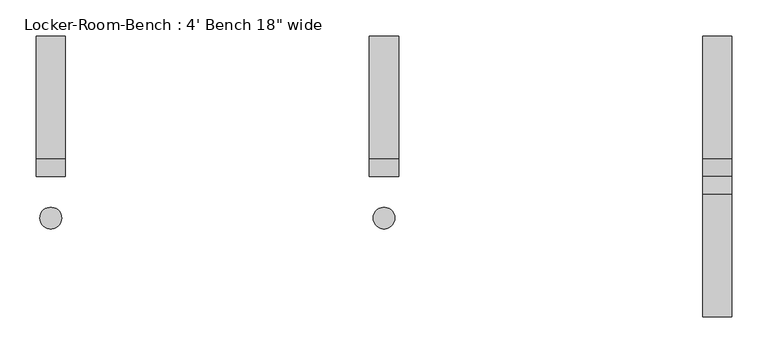
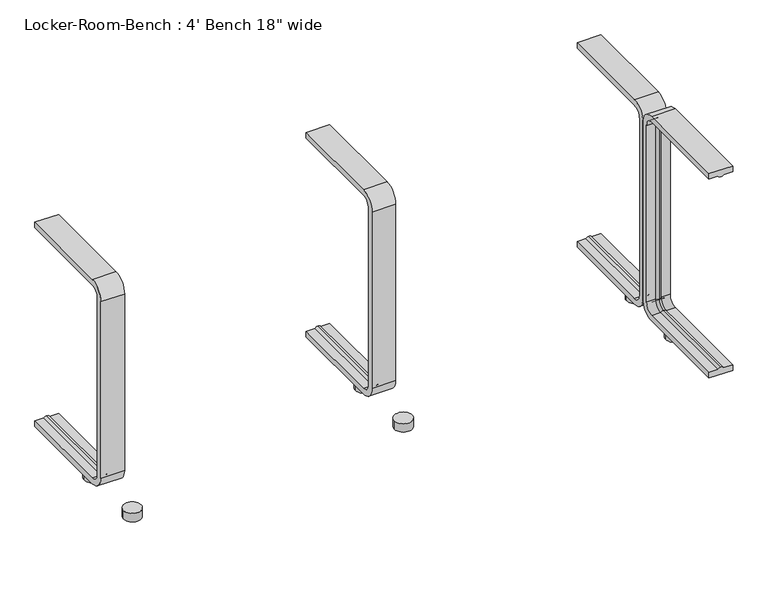
"""IFC4 building model written with IfcOpenShell, lengths in millimetres: proxy geometry."""

from ifc_helpers import new_model, si_unit, point, frame, frame_2d, origin, origin_with_axes, place, context, project, spatial, polyline, circle_curve, ellipse_curve, trimmed, segment, composite_curve, outline, extrude, source, transform, mapped, element, save
from ifc_brep_helpers import plane_surface, cylinder_surface, revolved_surface, advanced_brep


def proxy_b6e1d608(model_context):
    return source(origin(), model_context, "Body", "SolidModel", [
        extrude(outline(composite_curve([segment(trimmed(circle_curve(frame_2d((459.6, -57.5)), 15.0), [point((444.6, -57.5))], [point((474.6, -57.5))], False, "CARTESIAN"), True, "CONTINUOUS"), segment(trimmed(circle_curve(frame_2d((459.6, -57.5)), 15.0), [point((474.6, -57.5))], [point((444.6, -57.5))], False, "CARTESIAN"), True, "CONTINUOUS")], self_intersect=False)), origin_with_axes(), (0.0, 0.0, 1.0), 15.0),
        extrude(outline(composite_curve([segment(trimmed(circle_curve(frame_2d((459.6, 57.5)), 15.0), [point((444.6, 57.5))], [point((474.6, 57.5))], False, "CARTESIAN"), True, "CONTINUOUS"), segment(trimmed(circle_curve(frame_2d((459.6, 57.5)), 15.0), [point((474.6, 57.5))], [point((444.6, 57.5))], False, "CARTESIAN"), True, "CONTINUOUS")], self_intersect=False)), origin_with_axes(), (0.0, 0.0, 1.0), 15.0),
        extrude(outline(composite_curve([segment(trimmed(circle_curve(frame_2d((0.0, -57.5)), 15.0), [point((-15.0, -57.5))], [point((15.0, -57.5))], False, "CARTESIAN"), True, "CONTINUOUS"), segment(trimmed(circle_curve(frame_2d((0.0, -57.5)), 15.0), [point((15.0, -57.5))], [point((-15.0, -57.5))], False, "CARTESIAN"), True, "CONTINUOUS")], self_intersect=False)), origin_with_axes(), (0.0, 0.0, 1.0), 15.0),
        extrude(outline(composite_curve([segment(trimmed(circle_curve(frame_2d((0.0, 57.5)), 15.0), [point((-15.0, 57.5))], [point((15.0, 57.5))], False, "CARTESIAN"), True, "CONTINUOUS"), segment(trimmed(circle_curve(frame_2d((0.0, 57.5)), 15.0), [point((15.0, 57.5))], [point((-15.0, 57.5))], False, "CARTESIAN"), True, "CONTINUOUS")], self_intersect=False)), origin_with_axes(), (0.0, 0.0, 1.0), 15.0),
        extrude(outline(composite_curve([segment(trimmed(circle_curve(frame_2d((-459.6, -57.5)), 15.0), [point((-474.6, -57.5))], [point((-444.6, -57.5))], False, "CARTESIAN"), True, "CONTINUOUS"), segment(trimmed(circle_curve(frame_2d((-459.6, -57.5)), 15.0), [point((-444.6, -57.5))], [point((-474.6, -57.5))], False, "CARTESIAN"), True, "CONTINUOUS")], self_intersect=False)), origin_with_axes(), (0.0, 0.0, 1.0), 15.0),
        extrude(outline(composite_curve([segment(trimmed(circle_curve(frame_2d((-459.6, 57.5)), 15.0), [point((-474.6, 57.5))], [point((-444.6, 57.5))], False, "CARTESIAN"), True, "CONTINUOUS"), segment(trimmed(circle_curve(frame_2d((-459.6, 57.5)), 15.0), [point((-444.6, 57.5))], [point((-474.6, 57.5))], False, "CARTESIAN"), True, "CONTINUOUS")], self_intersect=False)), origin_with_axes(), (0.0, 0.0, 1.0), 15.0),
        advanced_brep(
        [(479.6, 193.6, 381.4), (479.6, 193.6, 371.4), (464.6, 193.6, 371.4), (459.6, 193.6, 369.0684617), (454.6, 193.6, 371.4), (439.6, 193.6, 371.4), (439.6, 193.6, 381.4), (479.6, 25.0, 381.4), (479.6, 0.0, 356.4), (479.6, 0.0, 40.0), (479.6, 25.0, 15.0), (479.6, 193.6, 15.0), (479.6, 193.6, 25.0), (479.6, 25.0, 25.0), (479.6, 10.0, 40.0), (479.6, 10.0, 356.4), (479.6, 25.0, 371.4), (464.6, 25.0, 371.4), (459.6, 25.0, 369.0684617), (454.6, 25.0, 371.4), (439.6, 25.0, 371.4), (439.6, 10.0, 356.4), (439.6, 10.0, 40.0), (439.6, 25.0, 25.0), (439.6, 193.6, 25.0), (439.6, 193.6, 15.0), (439.6, 25.0, 15.0), (439.6, 0.0, 40.0), (439.6, 0.0, 356.4), (439.6, 25.0, 381.4), (464.6, 10.0, 356.4), (459.6, 12.3315383, 356.4), (454.6, 10.0, 356.4), (464.6, 10.0, 40.0), (459.6, 12.3315383, 40.0), (454.6, 10.0, 40.0), (464.6, 25.0, 25.0), (459.6, 25.0, 27.3315383), (454.6, 25.0, 25.0), (454.6, 193.6, 25.0), (459.6, 193.6, 27.3315383), (464.6, 193.6, 25.0)],
        [
            (0, 1),
            (1, 2),
            (2, 3, circle_curve(frame((459.8996409, 193.6, 374.9529162), z_axis=(0.0, 1.0, 0.0), x_axis=(0.0, 0.0, -1.0)), 5.8920785)),
            (3, 4, circle_curve(frame((459.3003591, 193.6, 374.9529162), z_axis=(0.0, 1.0, 0.0), x_axis=(0.0, 0.0, -1.0)), 5.8920785)),
            (4, 5),
            (5, 6),
            (6, 0),
            (0, 7),
            (7, 8, circle_curve(frame((479.6, 25.0, 356.4), z_axis=(1.0, 0.0, 0.0), x_axis=(0.0, 0.0, 1.0)), 25.0)),
            (8, 9),
            (9, 10, circle_curve(frame((479.6, 25.0, 40.0), z_axis=(1.0, 0.0, 0.0), x_axis=(0.0, -1.0, 0.0)), 25.0)),
            (10, 11),
            (11, 12),
            (12, 13),
            (13, 14, circle_curve(frame((479.6, 25.0, 40.0), z_axis=(-1.0, 0.0, 0.0), x_axis=(0.0, -1.0, 0.0)), 15.0)),
            (14, 15),
            (15, 16, circle_curve(frame((479.6, 25.0, 356.4), z_axis=(-1.0, 0.0, 0.0), x_axis=(0.0, 0.0, 1.0)), 15.0)),
            (16, 1),
            (16, 17),
            (17, 2),
            (17, 18, circle_curve(frame((459.8996409, 25.0, 374.9529162), z_axis=(0.0, 1.0, 0.0), x_axis=(0.0, 0.0, -1.0)), 5.8920785)),
            (18, 3),
            (18, 19, circle_curve(frame((459.3003591, 25.0, 374.9529162), z_axis=(0.0, 1.0, 0.0), x_axis=(0.0, 0.0, -1.0)), 5.8920785)),
            (19, 4),
            (19, 20),
            (20, 5),
            (20, 21, circle_curve(frame((439.6, 25.0, 356.4), z_axis=(1.0, 0.0, 0.0), x_axis=(0.0, 0.0, 1.0)), 15.0)),
            (21, 22),
            (22, 23, circle_curve(frame((439.6, 25.0, 40.0), z_axis=(1.0, 0.0, 0.0), x_axis=(0.0, -1.0, 0.0)), 15.0)),
            (23, 24),
            (24, 25),
            (25, 26),
            (26, 27, circle_curve(frame((439.6, 25.0, 40.0), z_axis=(-1.0, 0.0, 0.0), x_axis=(0.0, -1.0, 0.0)), 25.0)),
            (27, 28),
            (28, 29, circle_curve(frame((439.6, 25.0, 356.4), z_axis=(-1.0, 0.0, 0.0), x_axis=(0.0, 0.0, 1.0)), 25.0)),
            (29, 6),
            (29, 7),
            (30, 17, circle_curve(frame((464.6, 25.0, 356.4), z_axis=(-1.0, 0.0, 0.0), x_axis=(0.0, 0.0, 1.0)), 15.0)),
            (15, 30),
            (31, 18, circle_curve(frame((459.6, 25.0, 356.4), z_axis=(-1.0, 0.0, 0.0), x_axis=(0.0, 0.0, 1.0)), 12.6684617)),
            (30, 31, circle_curve(frame((459.8996409, 6.4470838, 356.4), z_axis=(0.0, 0.0, 1.0), x_axis=(0.0, 1.0, 0.0)), 5.8920785)),
            (32, 19, circle_curve(frame((454.6, 25.0, 356.4), z_axis=(-1.0, 0.0, 0.0), x_axis=(0.0, 0.0, 1.0)), 15.0)),
            (31, 32, circle_curve(frame((459.3003591, 6.4470838, 356.4), z_axis=(0.0, 0.0, 1.0), x_axis=(0.0, 1.0, 0.0)), 5.8920785)),
            (32, 21),
            (28, 8),
            (14, 33),
            (33, 30),
            (33, 34, circle_curve(frame((459.8996409, 6.4470838, 40.0), z_axis=(0.0, 0.0, 1.0), x_axis=(0.0, 1.0, 0.0)), 5.8920785)),
            (34, 31),
            (34, 35, circle_curve(frame((459.3003591, 6.4470838, 40.0), z_axis=(0.0, 0.0, 1.0), x_axis=(0.0, 1.0, 0.0)), 5.8920785)),
            (35, 32),
            (35, 22),
            (27, 9),
            (36, 33, circle_curve(frame((464.6, 25.0, 40.0), z_axis=(-1.0, 0.0, 0.0), x_axis=(0.0, -1.0, 0.0)), 15.0)),
            (13, 36),
            (37, 34, circle_curve(frame((459.6, 25.0, 40.0), z_axis=(-1.0, 0.0, 0.0), x_axis=(0.0, -1.0, 0.0)), 12.6684617)),
            (36, 37, circle_curve(frame((459.8996409, 25.0, 21.4470838), z_axis=(0.0, -1.0, 0.0), x_axis=(0.0, 0.0, 1.0)), 5.8920785)),
            (38, 35, circle_curve(frame((454.6, 25.0, 40.0), z_axis=(-1.0, 0.0, 0.0), x_axis=(0.0, -1.0, 0.0)), 15.0)),
            (37, 38, circle_curve(frame((459.3003591, 25.0, 21.4470838), z_axis=(0.0, -1.0, 0.0), x_axis=(0.0, 0.0, 1.0)), 5.8920785)),
            (38, 23),
            (26, 10),
            (11, 25),
            (24, 39),
            (39, 40, circle_curve(frame((459.3003591, 193.6, 21.4470838), z_axis=(0.0, 1.0, 0.0), x_axis=(0.0, 0.0, 1.0)), 5.8920785)),
            (40, 41, circle_curve(frame((459.8996409, 193.6, 21.4470838), z_axis=(0.0, 1.0, 0.0), x_axis=(0.0, 0.0, 1.0)), 5.8920785)),
            (41, 12),
            (41, 36),
            (40, 37),
            (39, 38),
        ],
        [
            plane_surface(frame((459.6, 193.6, 381.4), z_axis=(0.0, 1.0, 0.0), x_axis=(1.0, 0.0, 0.0))),
            plane_surface(frame((479.6, 193.6, 381.4), z_axis=(1.0, 0.0, 0.0), x_axis=(0.0, -1.0, 0.0))),
            plane_surface(frame((479.6, 193.6, 371.4), z_axis=(0.0, 0.0, -1.0), x_axis=(0.0, -1.0, 0.0))),
            cylinder_surface(frame((459.8996409, 193.6, 374.9529162), z_axis=(0.0, 1.0, 0.0), x_axis=(0.0, 0.0, -1.0)), 5.8920785),
            cylinder_surface(frame((459.3003591, 193.6, 374.9529162), z_axis=(0.0, 1.0, 0.0), x_axis=(0.0, 0.0, -1.0)), 5.8920785),
            plane_surface(frame((454.6, 193.6, 371.4), z_axis=(0.0, 0.0, -1.0), x_axis=(0.0, -1.0, 0.0))),
            plane_surface(frame((439.6, 193.6, 371.4), z_axis=(-1.0, 0.0, 0.0), x_axis=(0.0, -1.0, 0.0))),
            plane_surface(frame((439.6, 193.6, 381.4), z_axis=(0.0, 0.0, 1.0), x_axis=(0.0, -1.0, 0.0))),
            revolved_surface(polyline([(479.6, 25.0, 371.4), (464.6, 25.0, 371.4)]), (459.6, 25.0, 356.4), (1.0, 0.0, 0.0)),
            revolved_surface(trimmed(ellipse_curve(frame((459.8996409, 25.0, 374.9529162), z_axis=(0.0, 1.0, 0.0), x_axis=(0.0, 0.0, -1.0)), 5.8920785, 5.8920785), [point((464.6, 25.0, 371.4))], [point((459.6, 25.0, 369.0684617))], True, "CARTESIAN"), (459.6, 25.0, 356.4), (1.0, 0.0, 0.0)),
            revolved_surface(trimmed(ellipse_curve(frame((459.3003591, 25.0, 374.9529162), z_axis=(0.0, 1.0, 0.0), x_axis=(0.0, 0.0, -1.0)), 5.8920785, 5.8920785), [point((459.6, 25.0, 369.0684617))], [point((454.6, 25.0, 371.4))], True, "CARTESIAN"), (459.6, 25.0, 356.4), (1.0, 0.0, 0.0)),
            revolved_surface(polyline([(454.6, 25.0, 371.4), (439.6, 25.0, 371.4)]), (459.6, 25.0, 356.4), (1.0, 0.0, 0.0)),
            cylinder_surface(frame((459.6, 25.0, 356.4), z_axis=(1.0, 0.0, 0.0), x_axis=(0.0, 0.0, 1.0)), 25.0),
            plane_surface(frame((479.6, 10.0, 356.4), z_axis=(0.0, 1.0, 0.0), x_axis=(0.0, 0.0, -1.0))),
            cylinder_surface(frame((459.8996409, 6.4470838, 356.4), z_axis=(0.0, 0.0, 1.0), x_axis=(0.0, 1.0, 0.0)), 5.8920785),
            cylinder_surface(frame((459.3003591, 6.4470838, 356.4), z_axis=(0.0, 0.0, 1.0), x_axis=(0.0, 1.0, 0.0)), 5.8920785),
            plane_surface(frame((454.6, 10.0, 356.4), z_axis=(0.0, 1.0, 0.0), x_axis=(0.0, 0.0, -1.0))),
            plane_surface(frame((439.6, 0.0, 356.4), z_axis=(0.0, -1.0, 0.0), x_axis=(0.0, 0.0, -1.0))),
            revolved_surface(polyline([(479.6, 10.0, 40.0), (464.6, 10.0, 40.0)]), (459.6, 25.0, 40.0), (1.0, 0.0, 0.0)),
            revolved_surface(trimmed(ellipse_curve(frame((459.8996409, 6.4470838, 40.0), z_axis=(0.0, 0.0, 1.0), x_axis=(0.0, 1.0, 0.0)), 5.8920785, 5.8920785), [point((464.6, 10.0, 40.0))], [point((459.6, 12.3315383, 40.0))], True, "CARTESIAN"), (459.6, 25.0, 40.0), (1.0, 0.0, 0.0)),
            revolved_surface(trimmed(ellipse_curve(frame((459.3003591, 6.4470838, 40.0), z_axis=(0.0, 0.0, 1.0), x_axis=(0.0, 1.0, 0.0)), 5.8920785, 5.8920785), [point((459.6, 12.3315383, 40.0))], [point((454.6, 10.0, 40.0))], True, "CARTESIAN"), (459.6, 25.0, 40.0), (1.0, 0.0, 0.0)),
            revolved_surface(polyline([(454.6, 10.0, 40.0), (439.6, 10.0, 40.0)]), (459.6, 25.0, 40.0), (1.0, 0.0, 0.0)),
            cylinder_surface(frame((459.6, 25.0, 40.0), z_axis=(1.0, 0.0, 0.0), x_axis=(0.0, -1.0, 0.0)), 25.0),
            plane_surface(frame((459.6, 193.6, 15.0), z_axis=(0.0, 1.0, 0.0), x_axis=(1.0, 0.0, 0.0))),
            plane_surface(frame((479.6, 25.0, 25.0), z_axis=(0.0, 0.0, 1.0), x_axis=(0.0, 1.0, 0.0))),
            cylinder_surface(frame((459.8996409, 25.0, 21.4470838), z_axis=(0.0, -1.0, 0.0), x_axis=(0.0, 0.0, 1.0)), 5.8920785),
            cylinder_surface(frame((459.3003591, 25.0, 21.4470838), z_axis=(0.0, -1.0, 0.0), x_axis=(0.0, 0.0, 1.0)), 5.8920785),
            plane_surface(frame((454.6, 25.0, 25.0), z_axis=(0.0, 0.0, 1.0), x_axis=(0.0, 1.0, 0.0))),
            plane_surface(frame((439.6, 25.0, 15.0), z_axis=(0.0, 0.0, -1.0), x_axis=(0.0, 1.0, 0.0))),
        ],
        [
            (0, [[1, 2, 3, 4, 5, 6, 7]]),
            (1, [[-1, 8, 9, 10, 11, 12, 13, 14, 15, 16, 17, 18]]),
            (2, [[-2, -18, 19, 20]]),
            (3, [[-3, -20, 21, 22]]),
            (4, [[-4, -22, 23, 24]]),
            (5, [[-5, -24, 25, 26]]),
            (6, [[-6, -26, 27, 28, 29, 30, 31, 32, 33, 34, 35, 36]]),
            (7, [[-7, -36, 37, -8]]),
            (8, [[38, -19, -17, 39]]),
            (9, [[40, -21, -38, 41]]),
            (10, [[42, -23, -40, 43]]),
            (11, [[-27, -25, -42, 44]]),
            (12, [[-9, -37, -35, 45]]),
            (13, [[-39, -16, 46, 47]]),
            (14, [[-41, -47, 48, 49]]),
            (15, [[-43, -49, 50, 51]]),
            (16, [[-44, -51, 52, -28]]),
            (17, [[-45, -34, 53, -10]]),
            (18, [[54, -46, -15, 55]]),
            (19, [[56, -48, -54, 57]]),
            (20, [[58, -50, -56, 59]]),
            (21, [[-29, -52, -58, 60]]),
            (22, [[-11, -53, -33, 61]]),
            (23, [[62, -31, 63, 64, 65, 66, -13]]),
            (24, [[-55, -14, -66, 67]]),
            (25, [[-57, -67, -65, 68]]),
            (26, [[-59, -68, -64, 69]]),
            (27, [[-60, -69, -63, -30]]),
            (28, [[-61, -32, -62, -12]]),
        ],
    ),
        advanced_brep(
        [(20.0, 193.6, 381.4), (20.0, 193.6, 371.4), (5.0, 193.6, 371.4), (0.0, 193.6, 369.0684617), (-5.0, 193.6, 371.4), (-20.0, 193.6, 371.4), (-20.0, 193.6, 381.4), (20.0, 25.0, 381.4), (20.0, 0.0, 356.4), (20.0, 0.0, 40.0), (20.0, 25.0, 15.0), (20.0, 193.6, 15.0), (20.0, 193.6, 25.0), (20.0, 25.0, 25.0), (20.0, 10.0, 40.0), (20.0, 10.0, 356.4), (20.0, 25.0, 371.4), (5.0, 25.0, 371.4), (0.0, 25.0, 369.0684617), (-5.0, 25.0, 371.4), (-20.0, 25.0, 371.4), (-20.0, 10.0, 356.4), (-20.0, 10.0, 40.0), (-20.0, 25.0, 25.0), (-20.0, 193.6, 25.0), (-20.0, 193.6, 15.0), (-20.0, 25.0, 15.0), (-20.0, 0.0, 40.0), (-20.0, 0.0, 356.4), (-20.0, 25.0, 381.4), (5.0, 10.0, 356.4), (0.0, 12.3315383, 356.4), (-5.0, 10.0, 356.4), (5.0, 10.0, 40.0), (0.0, 12.3315383, 40.0), (-5.0, 10.0, 40.0), (5.0, 25.0, 25.0), (0.0, 25.0, 27.3315383), (-5.0, 25.0, 25.0), (-5.0, 193.6, 25.0), (0.0, 193.6, 27.3315383), (5.0, 193.6, 25.0)],
        [
            (0, 1),
            (1, 2),
            (2, 3, circle_curve(frame((0.2996409, 193.6, 374.9529162), z_axis=(0.0, 1.0, 0.0), x_axis=(0.0, 0.0, -1.0)), 5.8920785)),
            (3, 4, circle_curve(frame((-0.2996409, 193.6, 374.9529162), z_axis=(0.0, 1.0, 0.0), x_axis=(0.0, 0.0, -1.0)), 5.8920785)),
            (4, 5),
            (5, 6),
            (6, 0),
            (0, 7),
            (7, 8, circle_curve(frame((20.0, 25.0, 356.4), z_axis=(1.0, 0.0, 0.0), x_axis=(0.0, 0.0, 1.0)), 25.0)),
            (8, 9),
            (9, 10, circle_curve(frame((20.0, 25.0, 40.0), z_axis=(1.0, 0.0, 0.0), x_axis=(0.0, -1.0, 0.0)), 25.0)),
            (10, 11),
            (11, 12),
            (12, 13),
            (13, 14, circle_curve(frame((20.0, 25.0, 40.0), z_axis=(-1.0, 0.0, 0.0), x_axis=(0.0, -1.0, 0.0)), 15.0)),
            (14, 15),
            (15, 16, circle_curve(frame((20.0, 25.0, 356.4), z_axis=(-1.0, 0.0, 0.0), x_axis=(0.0, 0.0, 1.0)), 15.0)),
            (16, 1),
            (16, 17),
            (17, 2),
            (17, 18, circle_curve(frame((0.2996409, 25.0, 374.9529162), z_axis=(0.0, 1.0, 0.0), x_axis=(0.0, 0.0, -1.0)), 5.8920785)),
            (18, 3),
            (18, 19, circle_curve(frame((-0.2996409, 25.0, 374.9529162), z_axis=(0.0, 1.0, 0.0), x_axis=(0.0, 0.0, -1.0)), 5.8920785)),
            (19, 4),
            (19, 20),
            (20, 5),
            (20, 21, circle_curve(frame((-20.0, 25.0, 356.4), z_axis=(1.0, 0.0, 0.0), x_axis=(0.0, 0.0, 1.0)), 15.0)),
            (21, 22),
            (22, 23, circle_curve(frame((-20.0, 25.0, 40.0), z_axis=(1.0, 0.0, 0.0), x_axis=(0.0, -1.0, 0.0)), 15.0)),
            (23, 24),
            (24, 25),
            (25, 26),
            (26, 27, circle_curve(frame((-20.0, 25.0, 40.0), z_axis=(-1.0, 0.0, 0.0), x_axis=(0.0, -1.0, 0.0)), 25.0)),
            (27, 28),
            (28, 29, circle_curve(frame((-20.0, 25.0, 356.4), z_axis=(-1.0, 0.0, 0.0), x_axis=(0.0, 0.0, 1.0)), 25.0)),
            (29, 6),
            (29, 7),
            (30, 17, circle_curve(frame((5.0, 25.0, 356.4), z_axis=(-1.0, 0.0, 0.0), x_axis=(0.0, 0.0, 1.0)), 15.0)),
            (15, 30),
            (31, 18, circle_curve(frame((0.0, 25.0, 356.4), z_axis=(-1.0, 0.0, 0.0), x_axis=(0.0, 0.0, 1.0)), 12.6684617)),
            (30, 31, circle_curve(frame((0.2996409, 6.4470838, 356.4), z_axis=(0.0, 0.0, 1.0), x_axis=(0.0, 1.0, 0.0)), 5.8920785)),
            (32, 19, circle_curve(frame((-5.0, 25.0, 356.4), z_axis=(-1.0, 0.0, 0.0), x_axis=(0.0, 0.0, 1.0)), 15.0)),
            (31, 32, circle_curve(frame((-0.2996409, 6.4470838, 356.4), z_axis=(0.0, 0.0, 1.0), x_axis=(0.0, 1.0, 0.0)), 5.8920785)),
            (32, 21),
            (28, 8),
            (14, 33),
            (33, 30),
            (33, 34, circle_curve(frame((0.2996409, 6.4470838, 40.0), z_axis=(0.0, 0.0, 1.0), x_axis=(0.0, 1.0, 0.0)), 5.8920785)),
            (34, 31),
            (34, 35, circle_curve(frame((-0.2996409, 6.4470838, 40.0), z_axis=(0.0, 0.0, 1.0), x_axis=(0.0, 1.0, 0.0)), 5.8920785)),
            (35, 32),
            (35, 22),
            (27, 9),
            (36, 33, circle_curve(frame((5.0, 25.0, 40.0), z_axis=(-1.0, 0.0, 0.0), x_axis=(0.0, -1.0, 0.0)), 15.0)),
            (13, 36),
            (37, 34, circle_curve(frame((0.0, 25.0, 40.0), z_axis=(-1.0, 0.0, 0.0), x_axis=(0.0, -1.0, 0.0)), 12.6684617)),
            (36, 37, circle_curve(frame((0.2996409, 25.0, 21.4470838), z_axis=(0.0, -1.0, 0.0), x_axis=(0.0, 0.0, 1.0)), 5.8920785)),
            (38, 35, circle_curve(frame((-5.0, 25.0, 40.0), z_axis=(-1.0, 0.0, 0.0), x_axis=(0.0, -1.0, 0.0)), 15.0)),
            (37, 38, circle_curve(frame((-0.2996409, 25.0, 21.4470838), z_axis=(0.0, -1.0, 0.0), x_axis=(0.0, 0.0, 1.0)), 5.8920785)),
            (38, 23),
            (26, 10),
            (11, 25),
            (24, 39),
            (39, 40, circle_curve(frame((-0.2996409, 193.6, 21.4470838), z_axis=(0.0, 1.0, 0.0), x_axis=(0.0, 0.0, 1.0)), 5.8920785)),
            (40, 41, circle_curve(frame((0.2996409, 193.6, 21.4470838), z_axis=(0.0, 1.0, 0.0), x_axis=(0.0, 0.0, 1.0)), 5.8920785)),
            (41, 12),
            (41, 36),
            (40, 37),
            (39, 38),
        ],
        [
            plane_surface(frame((0.0, 193.6, 381.4), z_axis=(0.0, 1.0, 0.0), x_axis=(1.0, 0.0, 0.0))),
            plane_surface(frame((20.0, 193.6, 381.4), z_axis=(1.0, 0.0, 0.0), x_axis=(0.0, -1.0, 0.0))),
            plane_surface(frame((20.0, 193.6, 371.4), z_axis=(0.0, 0.0, -1.0), x_axis=(0.0, -1.0, 0.0))),
            cylinder_surface(frame((0.2996409, 193.6, 374.9529162), z_axis=(0.0, 1.0, 0.0), x_axis=(0.0, 0.0, -1.0)), 5.8920785),
            cylinder_surface(frame((-0.2996409, 193.6, 374.9529162), z_axis=(0.0, 1.0, 0.0), x_axis=(0.0, 0.0, -1.0)), 5.8920785),
            plane_surface(frame((-5.0, 193.6, 371.4), z_axis=(0.0, 0.0, -1.0), x_axis=(0.0, -1.0, 0.0))),
            plane_surface(frame((-20.0, 193.6, 371.4), z_axis=(-1.0, 0.0, 0.0), x_axis=(0.0, -1.0, 0.0))),
            plane_surface(frame((-20.0, 193.6, 381.4), z_axis=(0.0, 0.0, 1.0), x_axis=(0.0, -1.0, 0.0))),
            revolved_surface(polyline([(20.0, 25.0, 371.4), (5.0, 25.0, 371.4)]), (0.0, 25.0, 356.4), (1.0, 0.0, 0.0)),
            revolved_surface(trimmed(ellipse_curve(frame((0.2996409, 25.0, 374.9529162), z_axis=(0.0, 1.0, 0.0), x_axis=(0.0, 0.0, -1.0)), 5.8920785, 5.8920785), [point((5.0, 25.0, 371.4))], [point((0.0, 25.0, 369.0684617))], True, "CARTESIAN"), (0.0, 25.0, 356.4), (1.0, 0.0, 0.0)),
            revolved_surface(trimmed(ellipse_curve(frame((-0.2996409, 25.0, 374.9529162), z_axis=(0.0, 1.0, 0.0), x_axis=(0.0, 0.0, -1.0)), 5.8920785, 5.8920785), [point((0.0, 25.0, 369.0684617))], [point((-5.0, 25.0, 371.4))], True, "CARTESIAN"), (0.0, 25.0, 356.4), (1.0, 0.0, 0.0)),
            revolved_surface(polyline([(-5.0, 25.0, 371.4), (-20.0, 25.0, 371.4)]), (0.0, 25.0, 356.4), (1.0, 0.0, 0.0)),
            cylinder_surface(frame((0.0, 25.0, 356.4), z_axis=(1.0, 0.0, 0.0), x_axis=(0.0, 0.0, 1.0)), 25.0),
            plane_surface(frame((20.0, 10.0, 356.4), z_axis=(0.0, 1.0, 0.0), x_axis=(0.0, 0.0, -1.0))),
            cylinder_surface(frame((0.2996409, 6.4470838, 356.4), z_axis=(0.0, 0.0, 1.0), x_axis=(0.0, 1.0, 0.0)), 5.8920785),
            cylinder_surface(frame((-0.2996409, 6.4470838, 356.4), z_axis=(0.0, 0.0, 1.0), x_axis=(0.0, 1.0, 0.0)), 5.8920785),
            plane_surface(frame((-5.0, 10.0, 356.4), z_axis=(0.0, 1.0, 0.0), x_axis=(0.0, 0.0, -1.0))),
            plane_surface(frame((-20.0, 0.0, 356.4), z_axis=(0.0, -1.0, 0.0), x_axis=(0.0, 0.0, -1.0))),
            revolved_surface(polyline([(20.0, 10.0, 40.0), (5.0, 10.0, 40.0)]), (0.0, 25.0, 40.0), (1.0, 0.0, 0.0)),
            revolved_surface(trimmed(ellipse_curve(frame((0.2996409, 6.4470838, 40.0), z_axis=(0.0, 0.0, 1.0), x_axis=(0.0, 1.0, 0.0)), 5.8920785, 5.8920785), [point((5.0, 10.0, 40.0))], [point((0.0, 12.3315383, 40.0))], True, "CARTESIAN"), (0.0, 25.0, 40.0), (1.0, 0.0, 0.0)),
            revolved_surface(trimmed(ellipse_curve(frame((-0.2996409, 6.4470838, 40.0), z_axis=(0.0, 0.0, 1.0), x_axis=(0.0, 1.0, 0.0)), 5.8920785, 5.8920785), [point((0.0, 12.3315383, 40.0))], [point((-5.0, 10.0, 40.0))], True, "CARTESIAN"), (0.0, 25.0, 40.0), (1.0, 0.0, 0.0)),
            revolved_surface(polyline([(-5.0, 10.0, 40.0), (-20.0, 10.0, 40.0)]), (0.0, 25.0, 40.0), (1.0, 0.0, 0.0)),
            cylinder_surface(frame((0.0, 25.0, 40.0), z_axis=(1.0, 0.0, 0.0), x_axis=(0.0, -1.0, 0.0)), 25.0),
            plane_surface(frame((0.0, 193.6, 15.0), z_axis=(0.0, 1.0, 0.0), x_axis=(1.0, 0.0, 0.0))),
            plane_surface(frame((20.0, 25.0, 25.0), z_axis=(0.0, 0.0, 1.0), x_axis=(0.0, 1.0, 0.0))),
            cylinder_surface(frame((0.2996409, 25.0, 21.4470838), z_axis=(0.0, -1.0, 0.0), x_axis=(0.0, 0.0, 1.0)), 5.8920785),
            cylinder_surface(frame((-0.2996409, 25.0, 21.4470838), z_axis=(0.0, -1.0, 0.0), x_axis=(0.0, 0.0, 1.0)), 5.8920785),
            plane_surface(frame((-5.0, 25.0, 25.0), z_axis=(0.0, 0.0, 1.0), x_axis=(0.0, 1.0, 0.0))),
            plane_surface(frame((-20.0, 25.0, 15.0), z_axis=(0.0, 0.0, -1.0), x_axis=(0.0, 1.0, 0.0))),
        ],
        [
            (0, [[1, 2, 3, 4, 5, 6, 7]]),
            (1, [[-1, 8, 9, 10, 11, 12, 13, 14, 15, 16, 17, 18]]),
            (2, [[-2, -18, 19, 20]]),
            (3, [[-3, -20, 21, 22]]),
            (4, [[-4, -22, 23, 24]]),
            (5, [[-5, -24, 25, 26]]),
            (6, [[-6, -26, 27, 28, 29, 30, 31, 32, 33, 34, 35, 36]]),
            (7, [[-7, -36, 37, -8]]),
            (8, [[38, -19, -17, 39]]),
            (9, [[40, -21, -38, 41]]),
            (10, [[42, -23, -40, 43]]),
            (11, [[-27, -25, -42, 44]]),
            (12, [[-9, -37, -35, 45]]),
            (13, [[-39, -16, 46, 47]]),
            (14, [[-41, -47, 48, 49]]),
            (15, [[-43, -49, 50, 51]]),
            (16, [[-44, -51, 52, -28]]),
            (17, [[-45, -34, 53, -10]]),
            (18, [[54, -46, -15, 55]]),
            (19, [[56, -48, -54, 57]]),
            (20, [[58, -50, -56, 59]]),
            (21, [[-29, -52, -58, 60]]),
            (22, [[-11, -53, -33, 61]]),
            (23, [[62, -31, 63, 64, 65, 66, -13]]),
            (24, [[-55, -14, -66, 67]]),
            (25, [[-57, -67, -65, 68]]),
            (26, [[-59, -68, -64, 69]]),
            (27, [[-60, -69, -63, -30]]),
            (28, [[-61, -32, -62, -12]]),
        ],
    ),
        advanced_brep(
        [(-439.6, 193.6, 381.4), (-439.6, 193.6, 371.4), (-454.6, 193.6, 371.4), (-459.6, 193.6, 369.0684617), (-464.6, 193.6, 371.4), (-479.6, 193.6, 371.4), (-479.6, 193.6, 381.4), (-439.6, 25.0, 381.4), (-439.6, 0.0, 356.4), (-439.6, 0.0, 40.0), (-439.6, 25.0, 15.0), (-439.6, 193.6, 15.0), (-439.6, 193.6, 25.0), (-439.6, 25.0, 25.0), (-439.6, 10.0, 40.0), (-439.6, 10.0, 356.4), (-439.6, 25.0, 371.4), (-454.6, 25.0, 371.4), (-459.6, 25.0, 369.0684617), (-464.6, 25.0, 371.4), (-479.6, 25.0, 371.4), (-479.6, 10.0, 356.4), (-479.6, 10.0, 40.0), (-479.6, 25.0, 25.0), (-479.6, 193.6, 25.0), (-479.6, 193.6, 15.0), (-479.6, 25.0, 15.0), (-479.6, 0.0, 40.0), (-479.6, 0.0, 356.4), (-479.6, 25.0, 381.4), (-454.6, 10.0, 356.4), (-459.6, 12.3315383, 356.4), (-464.6, 10.0, 356.4), (-454.6, 10.0, 40.0), (-459.6, 12.3315383, 40.0), (-464.6, 10.0, 40.0), (-454.6, 25.0, 25.0), (-459.6, 25.0, 27.3315383), (-464.6, 25.0, 25.0), (-464.6, 193.6, 25.0), (-459.6, 193.6, 27.3315383), (-454.6, 193.6, 25.0)],
        [
            (0, 1),
            (1, 2),
            (2, 3, circle_curve(frame((-459.3003591, 193.6, 374.9529162), z_axis=(0.0, 1.0, 0.0), x_axis=(0.0, 0.0, -1.0)), 5.8920785)),
            (3, 4, circle_curve(frame((-459.8996409, 193.6, 374.9529162), z_axis=(0.0, 1.0, 0.0), x_axis=(0.0, 0.0, -1.0)), 5.8920785)),
            (4, 5),
            (5, 6),
            (6, 0),
            (0, 7),
            (7, 8, circle_curve(frame((-439.6, 25.0, 356.4), z_axis=(1.0, 0.0, 0.0), x_axis=(0.0, 0.0, 1.0)), 25.0)),
            (8, 9),
            (9, 10, circle_curve(frame((-439.6, 25.0, 40.0), z_axis=(1.0, 0.0, 0.0), x_axis=(0.0, -1.0, 0.0)), 25.0)),
            (10, 11),
            (11, 12),
            (12, 13),
            (13, 14, circle_curve(frame((-439.6, 25.0, 40.0), z_axis=(-1.0, 0.0, 0.0), x_axis=(0.0, -1.0, 0.0)), 15.0)),
            (14, 15),
            (15, 16, circle_curve(frame((-439.6, 25.0, 356.4), z_axis=(-1.0, 0.0, 0.0), x_axis=(0.0, 0.0, 1.0)), 15.0)),
            (16, 1),
            (16, 17),
            (17, 2),
            (17, 18, circle_curve(frame((-459.3003591, 25.0, 374.9529162), z_axis=(0.0, 1.0, 0.0), x_axis=(0.0, 0.0, -1.0)), 5.8920785)),
            (18, 3),
            (18, 19, circle_curve(frame((-459.8996409, 25.0, 374.9529162), z_axis=(0.0, 1.0, 0.0), x_axis=(0.0, 0.0, -1.0)), 5.8920785)),
            (19, 4),
            (19, 20),
            (20, 5),
            (20, 21, circle_curve(frame((-479.6, 25.0, 356.4), z_axis=(1.0, 0.0, 0.0), x_axis=(0.0, 0.0, 1.0)), 15.0)),
            (21, 22),
            (22, 23, circle_curve(frame((-479.6, 25.0, 40.0), z_axis=(1.0, 0.0, 0.0), x_axis=(0.0, -1.0, 0.0)), 15.0)),
            (23, 24),
            (24, 25),
            (25, 26),
            (26, 27, circle_curve(frame((-479.6, 25.0, 40.0), z_axis=(-1.0, 0.0, 0.0), x_axis=(0.0, -1.0, 0.0)), 25.0)),
            (27, 28),
            (28, 29, circle_curve(frame((-479.6, 25.0, 356.4), z_axis=(-1.0, 0.0, 0.0), x_axis=(0.0, 0.0, 1.0)), 25.0)),
            (29, 6),
            (29, 7),
            (30, 17, circle_curve(frame((-454.6, 25.0, 356.4), z_axis=(-1.0, 0.0, 0.0), x_axis=(0.0, 0.0, 1.0)), 15.0)),
            (15, 30),
            (31, 18, circle_curve(frame((-459.6, 25.0, 356.4), z_axis=(-1.0, 0.0, 0.0), x_axis=(0.0, 0.0, 1.0)), 12.6684617)),
            (30, 31, circle_curve(frame((-459.3003591, 6.4470838, 356.4), z_axis=(0.0, 0.0, 1.0), x_axis=(0.0, 1.0, 0.0)), 5.8920785)),
            (32, 19, circle_curve(frame((-464.6, 25.0, 356.4), z_axis=(-1.0, 0.0, 0.0), x_axis=(0.0, 0.0, 1.0)), 15.0)),
            (31, 32, circle_curve(frame((-459.8996409, 6.4470838, 356.4), z_axis=(0.0, 0.0, 1.0), x_axis=(0.0, 1.0, 0.0)), 5.8920785)),
            (32, 21),
            (28, 8),
            (14, 33),
            (33, 30),
            (33, 34, circle_curve(frame((-459.3003591, 6.4470838, 40.0), z_axis=(0.0, 0.0, 1.0), x_axis=(0.0, 1.0, 0.0)), 5.8920785)),
            (34, 31),
            (34, 35, circle_curve(frame((-459.8996409, 6.4470838, 40.0), z_axis=(0.0, 0.0, 1.0), x_axis=(0.0, 1.0, 0.0)), 5.8920785)),
            (35, 32),
            (35, 22),
            (27, 9),
            (36, 33, circle_curve(frame((-454.6, 25.0, 40.0), z_axis=(-1.0, 0.0, 0.0), x_axis=(0.0, -1.0, 0.0)), 15.0)),
            (13, 36),
            (37, 34, circle_curve(frame((-459.6, 25.0, 40.0), z_axis=(-1.0, 0.0, 0.0), x_axis=(0.0, -1.0, 0.0)), 12.6684617)),
            (36, 37, circle_curve(frame((-459.3003591, 25.0, 21.4470838), z_axis=(0.0, -1.0, 0.0), x_axis=(0.0, 0.0, 1.0)), 5.8920785)),
            (38, 35, circle_curve(frame((-464.6, 25.0, 40.0), z_axis=(-1.0, 0.0, 0.0), x_axis=(0.0, -1.0, 0.0)), 15.0)),
            (37, 38, circle_curve(frame((-459.8996409, 25.0, 21.4470838), z_axis=(0.0, -1.0, 0.0), x_axis=(0.0, 0.0, 1.0)), 5.8920785)),
            (38, 23),
            (26, 10),
            (11, 25),
            (24, 39),
            (39, 40, circle_curve(frame((-459.8996409, 193.6, 21.4470838), z_axis=(0.0, 1.0, 0.0), x_axis=(0.0, 0.0, 1.0)), 5.8920785)),
            (40, 41, circle_curve(frame((-459.3003591, 193.6, 21.4470838), z_axis=(0.0, 1.0, 0.0), x_axis=(0.0, 0.0, 1.0)), 5.8920785)),
            (41, 12),
            (41, 36),
            (40, 37),
            (39, 38),
        ],
        [
            plane_surface(frame((-459.6, 193.6, 381.4), z_axis=(0.0, 1.0, 0.0), x_axis=(1.0, 0.0, 0.0))),
            plane_surface(frame((-439.6, 193.6, 381.4), z_axis=(1.0, 0.0, 0.0), x_axis=(0.0, -1.0, 0.0))),
            plane_surface(frame((-439.6, 193.6, 371.4), z_axis=(0.0, 0.0, -1.0), x_axis=(0.0, -1.0, 0.0))),
            cylinder_surface(frame((-459.3003591, 193.6, 374.9529162), z_axis=(0.0, 1.0, 0.0), x_axis=(0.0, 0.0, -1.0)), 5.8920785),
            cylinder_surface(frame((-459.8996409, 193.6, 374.9529162), z_axis=(0.0, 1.0, 0.0), x_axis=(0.0, 0.0, -1.0)), 5.8920785),
            plane_surface(frame((-464.6, 193.6, 371.4), z_axis=(0.0, 0.0, -1.0), x_axis=(0.0, -1.0, 0.0))),
            plane_surface(frame((-479.6, 193.6, 371.4), z_axis=(-1.0, 0.0, 0.0), x_axis=(0.0, -1.0, 0.0))),
            plane_surface(frame((-479.6, 193.6, 381.4), z_axis=(0.0, 0.0, 1.0), x_axis=(0.0, -1.0, 0.0))),
            revolved_surface(polyline([(-439.6, 25.0, 371.4), (-454.6, 25.0, 371.4)]), (-459.6, 25.0, 356.4), (1.0, 0.0, 0.0)),
            revolved_surface(trimmed(ellipse_curve(frame((-459.3003591, 25.0, 374.9529162), z_axis=(0.0, 1.0, 0.0), x_axis=(0.0, 0.0, -1.0)), 5.8920785, 5.8920785), [point((-454.6, 25.0, 371.4))], [point((-459.6, 25.0, 369.0684617))], True, "CARTESIAN"), (-459.6, 25.0, 356.4), (1.0, 0.0, 0.0)),
            revolved_surface(trimmed(ellipse_curve(frame((-459.8996409, 25.0, 374.9529162), z_axis=(0.0, 1.0, 0.0), x_axis=(0.0, 0.0, -1.0)), 5.8920785, 5.8920785), [point((-459.6, 25.0, 369.0684617))], [point((-464.6, 25.0, 371.4))], True, "CARTESIAN"), (-459.6, 25.0, 356.4), (1.0, 0.0, 0.0)),
            revolved_surface(polyline([(-464.6, 25.0, 371.4), (-479.6, 25.0, 371.4)]), (-459.6, 25.0, 356.4), (1.0, 0.0, 0.0)),
            cylinder_surface(frame((-459.6, 25.0, 356.4), z_axis=(1.0, 0.0, 0.0), x_axis=(0.0, 0.0, 1.0)), 25.0),
            plane_surface(frame((-439.6, 10.0, 356.4), z_axis=(0.0, 1.0, 0.0), x_axis=(0.0, 0.0, -1.0))),
            cylinder_surface(frame((-459.3003591, 6.4470838, 356.4), z_axis=(0.0, 0.0, 1.0), x_axis=(0.0, 1.0, 0.0)), 5.8920785),
            cylinder_surface(frame((-459.8996409, 6.4470838, 356.4), z_axis=(0.0, 0.0, 1.0), x_axis=(0.0, 1.0, 0.0)), 5.8920785),
            plane_surface(frame((-464.6, 10.0, 356.4), z_axis=(0.0, 1.0, 0.0), x_axis=(0.0, 0.0, -1.0))),
            plane_surface(frame((-479.6, 0.0, 356.4), z_axis=(0.0, -1.0, 0.0), x_axis=(0.0, 0.0, -1.0))),
            revolved_surface(polyline([(-439.6, 10.0, 40.0), (-454.6, 10.0, 40.0)]), (-459.6, 25.0, 40.0), (1.0, 0.0, 0.0)),
            revolved_surface(trimmed(ellipse_curve(frame((-459.3003591, 6.4470838, 40.0), z_axis=(0.0, 0.0, 1.0), x_axis=(0.0, 1.0, 0.0)), 5.8920785, 5.8920785), [point((-454.6, 10.0, 40.0))], [point((-459.6, 12.3315383, 40.0))], True, "CARTESIAN"), (-459.6, 25.0, 40.0), (1.0, 0.0, 0.0)),
            revolved_surface(trimmed(ellipse_curve(frame((-459.8996409, 6.4470838, 40.0), z_axis=(0.0, 0.0, 1.0), x_axis=(0.0, 1.0, 0.0)), 5.8920785, 5.8920785), [point((-459.6, 12.3315383, 40.0))], [point((-464.6, 10.0, 40.0))], True, "CARTESIAN"), (-459.6, 25.0, 40.0), (1.0, 0.0, 0.0)),
            revolved_surface(polyline([(-464.6, 10.0, 40.0), (-479.6, 10.0, 40.0)]), (-459.6, 25.0, 40.0), (1.0, 0.0, 0.0)),
            cylinder_surface(frame((-459.6, 25.0, 40.0), z_axis=(1.0, 0.0, 0.0), x_axis=(0.0, -1.0, 0.0)), 25.0),
            plane_surface(frame((-459.6, 193.6, 15.0), z_axis=(0.0, 1.0, 0.0), x_axis=(1.0, 0.0, 0.0))),
            plane_surface(frame((-439.6, 25.0, 25.0), z_axis=(0.0, 0.0, 1.0), x_axis=(0.0, 1.0, 0.0))),
            cylinder_surface(frame((-459.3003591, 25.0, 21.4470838), z_axis=(0.0, -1.0, 0.0), x_axis=(0.0, 0.0, 1.0)), 5.8920785),
            cylinder_surface(frame((-459.8996409, 25.0, 21.4470838), z_axis=(0.0, -1.0, 0.0), x_axis=(0.0, 0.0, 1.0)), 5.8920785),
            plane_surface(frame((-464.6, 25.0, 25.0), z_axis=(0.0, 0.0, 1.0), x_axis=(0.0, 1.0, 0.0))),
            plane_surface(frame((-479.6, 25.0, 15.0), z_axis=(0.0, 0.0, -1.0), x_axis=(0.0, 1.0, 0.0))),
        ],
        [
            (0, [[1, 2, 3, 4, 5, 6, 7]]),
            (1, [[-1, 8, 9, 10, 11, 12, 13, 14, 15, 16, 17, 18]]),
            (2, [[-2, -18, 19, 20]]),
            (3, [[-3, -20, 21, 22]]),
            (4, [[-4, -22, 23, 24]]),
            (5, [[-5, -24, 25, 26]]),
            (6, [[-6, -26, 27, 28, 29, 30, 31, 32, 33, 34, 35, 36]]),
            (7, [[-7, -36, 37, -8]]),
            (8, [[38, -19, -17, 39]]),
            (9, [[40, -21, -38, 41]]),
            (10, [[42, -23, -40, 43]]),
            (11, [[-27, -25, -42, 44]]),
            (12, [[-9, -37, -35, 45]]),
            (13, [[-39, -16, 46, 47]]),
            (14, [[-41, -47, 48, 49]]),
            (15, [[-43, -49, 50, 51]]),
            (16, [[-44, -51, 52, -28]]),
            (17, [[-45, -34, 53, -10]]),
            (18, [[54, -46, -15, 55]]),
            (19, [[56, -48, -54, 57]]),
            (20, [[58, -50, -56, 59]]),
            (21, [[-29, -52, -58, 60]]),
            (22, [[-11, -53, -33, 61]]),
            (23, [[62, -31, 63, 64, 65, 66, -13]]),
            (24, [[-55, -14, -66, 67]]),
            (25, [[-57, -67, -65, 68]]),
            (26, [[-59, -68, -64, 69]]),
            (27, [[-60, -69, -63, -30]]),
            (28, [[-61, -32, -62, -12]]),
        ],
    ),
        advanced_brep(
        [(479.6, -193.6, 381.4), (439.6, -193.6, 381.4), (439.6, -193.6, 371.4), (454.6, -193.6, 371.4), (459.6, -193.6, 369.0684617), (464.6, -193.6, 371.4), (479.6, -193.6, 371.4), (479.6, -25.0, 381.4), (439.6, -25.0, 381.4), (439.6, 0.0, 356.4), (439.6, 0.0, 40.0), (439.6, -25.0, 15.0), (439.6, -193.6, 15.0), (439.6, -193.6, 25.0), (439.6, -25.0, 25.0), (439.6, -10.0, 40.0), (439.6, -10.0, 356.4), (439.6, -25.0, 371.4), (454.6, -25.0, 371.4), (459.6, -25.0, 369.0684617), (464.6, -25.0, 371.4), (479.6, -25.0, 371.4), (479.6, -10.0, 356.4), (479.6, -10.0, 40.0), (479.6, -25.0, 25.0), (479.6, -193.6, 25.0), (479.6, -193.6, 15.0), (479.6, -25.0, 15.0), (479.6, 0.0, 40.0), (479.6, 0.0, 356.4), (454.6, -10.0, 356.4), (459.6, -12.3315383, 356.4), (464.6, -10.0, 356.4), (454.6, -10.0, 40.0), (459.6, -12.3315383, 40.0), (464.6, -10.0, 40.0), (454.6, -25.0, 25.0), (459.6, -25.0, 27.3315383), (464.6, -25.0, 25.0), (464.6, -193.6, 25.0), (459.6, -193.6, 27.3315383), (454.6, -193.6, 25.0)],
        [
            (0, 1),
            (1, 2),
            (2, 3),
            (3, 4, circle_curve(frame((459.3003591, -193.6, 374.9529162), z_axis=(0.0, -1.0, 0.0), x_axis=(0.0, 0.0, 1.0)), 5.8920785)),
            (4, 5, circle_curve(frame((459.8996409, -193.6, 374.9529162), z_axis=(0.0, -1.0, 0.0), x_axis=(0.0, 0.0, 1.0)), 5.8920785)),
            (5, 6),
            (6, 0),
            (0, 7),
            (7, 8),
            (8, 1),
            (8, 9, circle_curve(frame((439.6, -25.0, 356.4), z_axis=(-1.0, 0.0, 0.0), x_axis=(0.0, 0.0, 1.0)), 25.0)),
            (9, 10),
            (10, 11, circle_curve(frame((439.6, -25.0, 40.0), z_axis=(-1.0, 0.0, 0.0), x_axis=(0.0, 1.0, 0.0)), 25.0)),
            (11, 12),
            (12, 13),
            (13, 14),
            (14, 15, circle_curve(frame((439.6, -25.0, 40.0), z_axis=(1.0, 0.0, 0.0), x_axis=(0.0, 1.0, 0.0)), 15.0)),
            (15, 16),
            (16, 17, circle_curve(frame((439.6, -25.0, 356.4), z_axis=(1.0, 0.0, 0.0), x_axis=(0.0, 0.0, 1.0)), 15.0)),
            (17, 2),
            (17, 18),
            (18, 3),
            (18, 19, circle_curve(frame((459.3003591, -25.0, 374.9529162), z_axis=(0.0, -1.0, 0.0), x_axis=(0.0, 0.0, 1.0)), 5.8920785)),
            (19, 4),
            (19, 20, circle_curve(frame((459.8996409, -25.0, 374.9529162), z_axis=(0.0, -1.0, 0.0), x_axis=(0.0, 0.0, 1.0)), 5.8920785)),
            (20, 5),
            (20, 21),
            (21, 6),
            (21, 22, circle_curve(frame((479.6, -25.0, 356.4), z_axis=(-1.0, 0.0, 0.0), x_axis=(0.0, 0.0, 1.0)), 15.0)),
            (22, 23),
            (23, 24, circle_curve(frame((479.6, -25.0, 40.0), z_axis=(-1.0, 0.0, 0.0), x_axis=(0.0, 1.0, 0.0)), 15.0)),
            (24, 25),
            (25, 26),
            (26, 27),
            (27, 28, circle_curve(frame((479.6, -25.0, 40.0), z_axis=(1.0, 0.0, 0.0), x_axis=(0.0, 1.0, 0.0)), 25.0)),
            (28, 29),
            (29, 7, circle_curve(frame((479.6, -25.0, 356.4), z_axis=(1.0, 0.0, 0.0), x_axis=(0.0, 0.0, 1.0)), 25.0)),
            (29, 9),
            (30, 18, circle_curve(frame((454.6, -25.0, 356.4), z_axis=(1.0, 0.0, 0.0), x_axis=(0.0, 0.0, 1.0)), 15.0)),
            (16, 30),
            (31, 19, circle_curve(frame((459.6, -25.0, 356.4), z_axis=(1.0, 0.0, 0.0), x_axis=(0.0, 0.0, 1.0)), 12.6684617)),
            (30, 31, circle_curve(frame((459.3003591, -6.4470838, 356.4), z_axis=(0.0, 0.0, 1.0), x_axis=(0.0, 1.0, 0.0)), 5.8920785)),
            (32, 20, circle_curve(frame((464.6, -25.0, 356.4), z_axis=(1.0, 0.0, 0.0), x_axis=(0.0, 0.0, 1.0)), 15.0)),
            (31, 32, circle_curve(frame((459.8996409, -6.4470838, 356.4), z_axis=(0.0, 0.0, 1.0), x_axis=(0.0, 1.0, 0.0)), 5.8920785)),
            (32, 22),
            (28, 10),
            (15, 33),
            (33, 30),
            (33, 34, circle_curve(frame((459.3003591, -6.4470838, 40.0), z_axis=(0.0, 0.0, 1.0), x_axis=(0.0, 1.0, 0.0)), 5.8920785)),
            (34, 31),
            (34, 35, circle_curve(frame((459.8996409, -6.4470838, 40.0), z_axis=(0.0, 0.0, 1.0), x_axis=(0.0, 1.0, 0.0)), 5.8920785)),
            (35, 32),
            (35, 23),
            (27, 11),
            (36, 33, circle_curve(frame((454.6, -25.0, 40.0), z_axis=(1.0, 0.0, 0.0), x_axis=(0.0, 1.0, 0.0)), 15.0)),
            (14, 36),
            (37, 34, circle_curve(frame((459.6, -25.0, 40.0), z_axis=(1.0, 0.0, 0.0), x_axis=(0.0, 1.0, 0.0)), 12.6684617)),
            (36, 37, circle_curve(frame((459.3003591, -25.0, 21.4470838), z_axis=(0.0, 1.0, 0.0), x_axis=(0.0, 0.0, -1.0)), 5.8920785)),
            (38, 35, circle_curve(frame((464.6, -25.0, 40.0), z_axis=(1.0, 0.0, 0.0), x_axis=(0.0, 1.0, 0.0)), 15.0)),
            (37, 38, circle_curve(frame((459.8996409, -25.0, 21.4470838), z_axis=(0.0, 1.0, 0.0), x_axis=(0.0, 0.0, -1.0)), 5.8920785)),
            (38, 24),
            (25, 39),
            (39, 40, circle_curve(frame((459.8996409, -193.6, 21.4470838), z_axis=(0.0, -1.0, 0.0), x_axis=(0.0, 0.0, -1.0)), 5.8920785)),
            (40, 41, circle_curve(frame((459.3003591, -193.6, 21.4470838), z_axis=(0.0, -1.0, 0.0), x_axis=(0.0, 0.0, -1.0)), 5.8920785)),
            (41, 13),
            (12, 26),
            (41, 36),
            (40, 37),
            (39, 38),
        ],
        [
            plane_surface(frame((459.6, -193.6, 381.4), z_axis=(0.0, -1.0, 0.0), x_axis=(1.0, 0.0, 0.0))),
            plane_surface(frame((479.6, -193.6, 381.4), z_axis=(0.0, 0.0, 1.0), x_axis=(0.0, 1.0, 0.0))),
            plane_surface(frame((439.6, -193.6, 381.4), z_axis=(-1.0, 0.0, 0.0), x_axis=(0.0, 1.0, 0.0))),
            plane_surface(frame((439.6, -193.6, 371.4), z_axis=(0.0, 0.0, -1.0), x_axis=(0.0, 1.0, 0.0))),
            cylinder_surface(frame((459.3003591, -193.6, 374.9529162), z_axis=(0.0, -1.0, 0.0), x_axis=(0.0, 0.0, 1.0)), 5.8920785),
            cylinder_surface(frame((459.8996409, -193.6, 374.9529162), z_axis=(0.0, -1.0, 0.0), x_axis=(0.0, 0.0, 1.0)), 5.8920785),
            plane_surface(frame((464.6, -193.6, 371.4), z_axis=(0.0, 0.0, -1.0), x_axis=(0.0, 1.0, 0.0))),
            plane_surface(frame((479.6, -193.6, 371.4), z_axis=(1.0, 0.0, 0.0), x_axis=(0.0, 1.0, 0.0))),
            cylinder_surface(frame((459.6, -25.0, 356.4), z_axis=(-1.0, 0.0, 0.0), x_axis=(0.0, 0.0, 1.0)), 25.0),
            revolved_surface(polyline([(439.6, -25.0, 371.4), (454.6, -25.0, 371.4)]), (459.6, -25.0, 356.4), (-1.0, 0.0, 0.0)),
            revolved_surface(trimmed(ellipse_curve(frame((459.3003591, -25.0, 374.9529162), z_axis=(0.0, -1.0, 0.0), x_axis=(0.0, 0.0, 1.0)), 5.8920785, 5.8920785), [point((454.6, -25.0, 371.4))], [point((459.6, -25.0, 369.0684617))], True, "CARTESIAN"), (459.6, -25.0, 356.4), (-1.0, 0.0, 0.0)),
            revolved_surface(trimmed(ellipse_curve(frame((459.8996409, -25.0, 374.9529162), z_axis=(0.0, -1.0, 0.0), x_axis=(0.0, 0.0, 1.0)), 5.8920785, 5.8920785), [point((459.6, -25.0, 369.0684617))], [point((464.6, -25.0, 371.4))], True, "CARTESIAN"), (459.6, -25.0, 356.4), (-1.0, 0.0, 0.0)),
            revolved_surface(polyline([(464.6, -25.0, 371.4), (479.6, -25.0, 371.4)]), (459.6, -25.0, 356.4), (-1.0, 0.0, 0.0)),
            plane_surface(frame((479.6, 0.0, 356.4), z_axis=(0.0, 1.0, 0.0), x_axis=(0.0, 0.0, -1.0))),
            plane_surface(frame((439.6, -10.0, 356.4), z_axis=(0.0, -1.0, 0.0), x_axis=(0.0, 0.0, -1.0))),
            cylinder_surface(frame((459.3003591, -6.4470838, 356.4), z_axis=(0.0, 0.0, 1.0), x_axis=(0.0, 1.0, 0.0)), 5.8920785),
            cylinder_surface(frame((459.8996409, -6.4470838, 356.4), z_axis=(0.0, 0.0, 1.0), x_axis=(0.0, 1.0, 0.0)), 5.8920785),
            plane_surface(frame((464.6, -10.0, 356.4), z_axis=(0.0, -1.0, 0.0), x_axis=(0.0, 0.0, -1.0))),
            cylinder_surface(frame((459.6, -25.0, 40.0), z_axis=(-1.0, 0.0, 0.0), x_axis=(0.0, 1.0, 0.0)), 25.0),
            revolved_surface(polyline([(439.6, -10.0, 40.0), (454.6, -10.0, 40.0)]), (459.6, -25.0, 40.0), (-1.0, 0.0, 0.0)),
            revolved_surface(trimmed(ellipse_curve(frame((459.3003591, -6.4470838, 40.0), z_axis=(0.0, 0.0, 1.0), x_axis=(0.0, 1.0, 0.0)), 5.8920785, 5.8920785), [point((454.6, -10.0, 40.0))], [point((459.6, -12.3315383, 40.0))], True, "CARTESIAN"), (459.6, -25.0, 40.0), (-1.0, 0.0, 0.0)),
            revolved_surface(trimmed(ellipse_curve(frame((459.8996409, -6.4470838, 40.0), z_axis=(0.0, 0.0, 1.0), x_axis=(0.0, 1.0, 0.0)), 5.8920785, 5.8920785), [point((459.6, -12.3315383, 40.0))], [point((464.6, -10.0, 40.0))], True, "CARTESIAN"), (459.6, -25.0, 40.0), (-1.0, 0.0, 0.0)),
            revolved_surface(polyline([(464.6, -10.0, 40.0), (479.6, -10.0, 40.0)]), (459.6, -25.0, 40.0), (-1.0, 0.0, 0.0)),
            plane_surface(frame((459.6, -193.6, 15.0), z_axis=(0.0, -1.0, 0.0), x_axis=(1.0, 0.0, 0.0))),
            plane_surface(frame((479.6, -25.0, 15.0), z_axis=(0.0, 0.0, -1.0), x_axis=(0.0, -1.0, 0.0))),
            plane_surface(frame((439.6, -25.0, 25.0), z_axis=(0.0, 0.0, 1.0), x_axis=(0.0, -1.0, 0.0))),
            cylinder_surface(frame((459.3003591, -25.0, 21.4470838), z_axis=(0.0, 1.0, 0.0), x_axis=(0.0, 0.0, -1.0)), 5.8920785),
            cylinder_surface(frame((459.8996409, -25.0, 21.4470838), z_axis=(0.0, 1.0, 0.0), x_axis=(0.0, 0.0, -1.0)), 5.8920785),
            plane_surface(frame((464.6, -25.0, 25.0), z_axis=(0.0, 0.0, 1.0), x_axis=(0.0, -1.0, 0.0))),
        ],
        [
            (0, [[1, 2, 3, 4, 5, 6, 7]]),
            (1, [[-1, 8, 9, 10]]),
            (2, [[-2, -10, 11, 12, 13, 14, 15, 16, 17, 18, 19, 20]]),
            (3, [[-3, -20, 21, 22]]),
            (4, [[-4, -22, 23, 24]]),
            (5, [[-5, -24, 25, 26]]),
            (6, [[-6, -26, 27, 28]]),
            (7, [[-7, -28, 29, 30, 31, 32, 33, 34, 35, 36, 37, -8]]),
            (8, [[-11, -9, -37, 38]]),
            (9, [[39, -21, -19, 40]]),
            (10, [[41, -23, -39, 42]]),
            (11, [[43, -25, -41, 44]]),
            (12, [[-29, -27, -43, 45]]),
            (13, [[-38, -36, 46, -12]]),
            (14, [[-40, -18, 47, 48]]),
            (15, [[-42, -48, 49, 50]]),
            (16, [[-44, -50, 51, 52]]),
            (17, [[-45, -52, 53, -30]]),
            (18, [[-13, -46, -35, 54]]),
            (19, [[55, -47, -17, 56]]),
            (20, [[57, -49, -55, 58]]),
            (21, [[59, -51, -57, 60]]),
            (22, [[-31, -53, -59, 61]]),
            (23, [[-33, 62, 63, 64, 65, -15, 66]]),
            (24, [[-54, -34, -66, -14]]),
            (25, [[-56, -16, -65, 67]]),
            (26, [[-58, -67, -64, 68]]),
            (27, [[-60, -68, -63, 69]]),
            (28, [[-61, -69, -62, -32]]),
        ],
    ),
    ])


if __name__ == "__main__":
    model = new_model("IFC4")
    model_context = context("Model", 3, world=origin())
    ifc_project = project(units=[si_unit("LENGTHUNIT", "METRE", prefix="MILLI")], contexts=[model_context])
    site = spatial("IfcSite", under=ifc_project)
    building = spatial("IfcBuilding", under=site)
    placement = place(None, origin())
    proxy_shape = proxy_b6e1d608(model_context)
    element("IfcBuildingElementProxy", 1, Name="Locker-Room-Bench : 4' Bench 18\" wide", ObjectType="Locker-Room-Bench : 4' Bench 18\" wide", at=placement, inside=building, context=model_context, shape_type="MappedRepresentation", body=[
        mapped(proxy_shape, transform((0.0, 0.0, 0.0), x_axis=(1.0, 0.0, 0.0), y_axis=(0.0, 1.0, 0.0), z_axis=(0.0, 0.0, 1.0))),
    ])
    save(model, "model.ifc")
